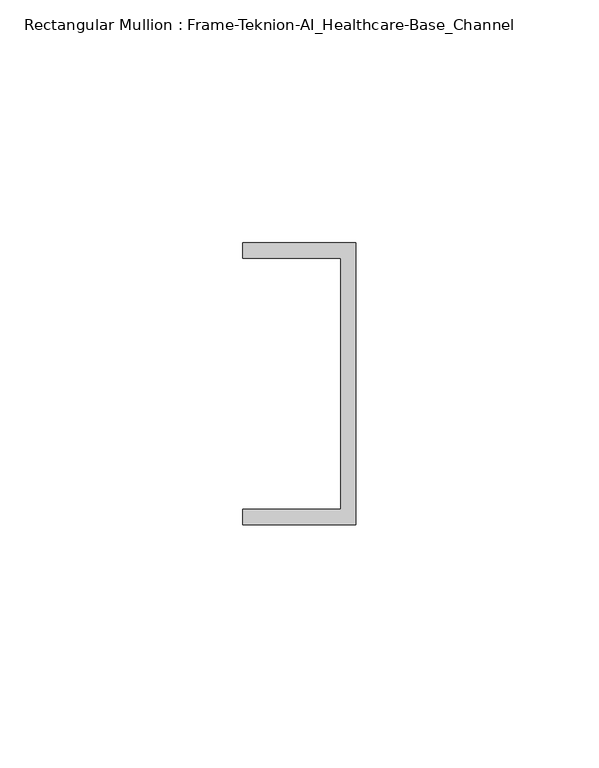
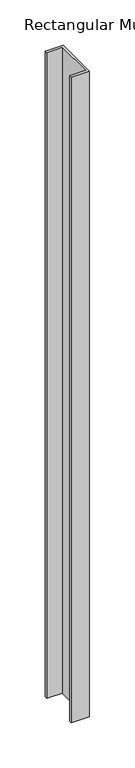
"""IFC4 building model written with IfcOpenShell, lengths in millimetres: member geometry, Rectangular Mullion : Frame-Teknion-AI_Healthcare-Base_Channel."""

from ifc_helpers import new_model, si_unit, frame, origin, place, context, project, spatial, polyline, outline, extrude, source, transform, mapped, element, save


def rectangular_mullion_frame_teknion_ai_healthcare_base_channel_c77f7986(model_context):
    return source(origin(), model_context, "Body", "SweptSolid", [
        extrude(outline(polyline([(0.0, 29.0214844), (0.0, -29.0214844), (-23.3164063, -29.0214844), (-23.3164063, -25.8464844), (-3.175, -25.8464844), (-3.175, 25.8464844), (-23.3164063, 25.8464844), (-23.3164063, 29.0214844), (0.0, 29.0214844)])), frame((0.0, 0.0, -874.4816073), z_axis=(0.0, 0.0, 1.0), x_axis=(1.0, 0.0, 0.0)), (0.0, 0.0, 1.0), 874.4816073),
    ])


if __name__ == "__main__":
    model = new_model("IFC4")
    model_context = context("Model", 3, world=origin())
    ifc_project = project(units=[si_unit("LENGTHUNIT", "METRE", prefix="MILLI")], contexts=[model_context])
    site = spatial("IfcSite", under=ifc_project)
    building = spatial("IfcBuilding", under=site)
    placement = place(None, origin())
    rectangular_mullion_frame_teknion_ai_healthcare_base_channel_shape = rectangular_mullion_frame_teknion_ai_healthcare_base_channel_c77f7986(model_context)
    element("IfcMember", 1, ObjectType="Rectangular Mullion : Frame-Teknion-AI_Healthcare-Base_Channel", at=placement, inside=building, context=model_context, shape_type="MappedRepresentation", body=[
        mapped(rectangular_mullion_frame_teknion_ai_healthcare_base_channel_shape, transform((0.0, 0.0, 0.0), x_axis=(1.0, 0.0, 0.0), y_axis=(0.0, 1.0, 0.0), z_axis=(0.0, 0.0, 1.0))),
    ])
    save(model, "model.ifc")
